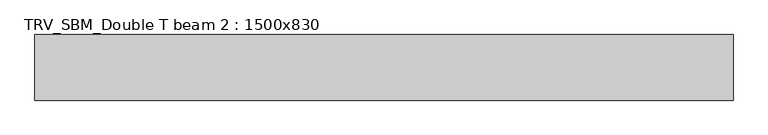
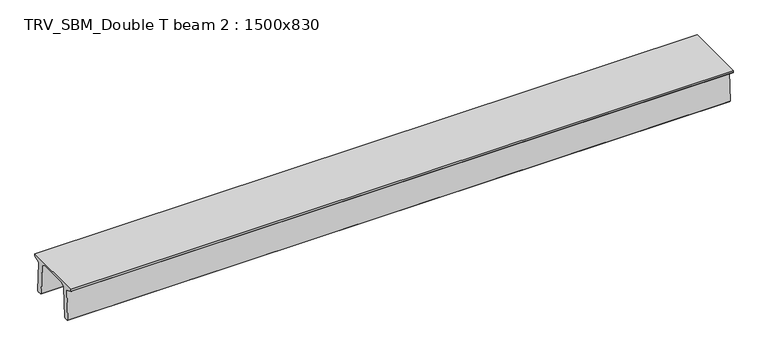
"""IFC4 building model written with IfcOpenShell, lengths in millimetres: beam geometry, TRV_SBM_Double T beam 2 : 1500x830."""

import ifcopenshell
import ifcopenshell.guid

model = None  # the IFC model being written
_history = None  # IfcOwnerHistory: only IFC2X3 demands one
_inside = {}  # id of a spatial element -> (the spatial element, [elements in it])
_under = {}  # id of a project, library or spatial element -> (it, [spatial elements below it])
_declared = {}  # id of a project -> (the project, [libraries it declares])
_typed = {}  # id of a type object -> (the type object, [elements of that type])
_made_of = {}  # id of a material, layer set ... -> (it, [elements and type objects made of it])


def new_model(schema):
    """Start an empty IFC model of exactly this schema.

    Asked for "IFC4X3", IfcOpenShell would pick the latest addendum, in which some entities
    have other attributes; the version numbers below select the first issue.
    IFC2X3 requires an IfcOwnerHistory on every rooted entity: one is made here for all.
    """
    global model, _history
    if schema == "IFC4X3":
        model = ifcopenshell.file(schema_version=(4, 3, 0, 0))
    else:
        model = ifcopenshell.file(schema=schema)
    _inside.clear()
    _under.clear()
    _declared.clear()
    _typed.clear()
    _made_of.clear()
    _history = None
    if model.schema == "IFC2X3":
        org = make("IfcOrganization", Name="unknown")
        user = make(
            "IfcPersonAndOrganization",
            ThePerson=make("IfcPerson", FamilyName="unknown"),
            TheOrganization=org,
        )
        app = make(
            "IfcApplication",
            ApplicationDeveloper=org,
            Version="unknown",
            ApplicationFullName="unknown",
            ApplicationIdentifier="unknown",
        )
        _history = make(
            "IfcOwnerHistory",
            OwningUser=user,
            OwningApplication=app,
            ChangeAction="ADDED",
            CreationDate=0,
        )
    return model


def make(cls, **values):
    """One entity of the class cls with the attributes given. An attribute that is None is left unset."""
    return model.create_entity(
        cls, **{name: value for name, value in values.items() if value is not None}
    )


def rooted(cls, **values):
    """An entity with a GlobalId (a new one), such as an element, a storey or a relation."""
    return make(cls, GlobalId=ifcopenshell.guid.new(), OwnerHistory=_history, **values)


def si_unit(unit_type, name, prefix=None):
    """IfcSIUnit, for example si_unit("LENGTHUNIT", "METRE", prefix="MILLI")."""
    return make("IfcSIUnit", UnitType=unit_type, Prefix=prefix, Name=name)


def assignment(units):
    """IfcUnitAssignment: the units of a project."""
    return None if units is None else make("IfcUnitAssignment", Units=units)


def point(xyz):
    """IfcCartesianPoint."""
    return None if xyz is None else make("IfcCartesianPoint", Coordinates=xyz)


def direction(xyz):
    """IfcDirection."""
    return None if xyz is None else make("IfcDirection", DirectionRatios=xyz)


def frame(location, z_axis=None, x_axis=None):
    """IfcAxis2Placement3D, a coordinate frame: its origin and axes. An axis left out is left unset."""
    return make(
        "IfcAxis2Placement3D",
        Location=point(location),
        Axis=direction(z_axis),
        RefDirection=direction(x_axis),
    )


def origin():
    """The frame at (0, 0, 0) with its axes left unset."""
    return frame((0.0, 0.0, 0.0))


def place(relative_to, where):
    """IfcLocalPlacement: puts the frame where relative to a parent placement (None: the world)."""
    return make(
        "IfcLocalPlacement", PlacementRelTo=relative_to, RelativePlacement=where
    )


def context(
    kind, dimensions, precision=None, world=None, true_north=None, identifier=None
):
    """IfcGeometricRepresentationContext, for example the 3D "Model" context."""
    return make(
        "IfcGeometricRepresentationContext",
        ContextIdentifier=identifier,
        ContextType=kind,
        CoordinateSpaceDimension=dimensions,
        Precision=precision,
        WorldCoordinateSystem=world,
        TrueNorth=true_north,
    )


def project(units=None, contexts=None):
    """IfcProject with its units and contexts."""
    return rooted(
        "IfcProject",
        Name="project",
        RepresentationContexts=contexts,
        UnitsInContext=assignment(units),
    )


def spatial(cls, under=None, at=None, **own):
    """A site, building, storey or space (cls), placed at a placement, below another one or the project."""
    s = rooted(cls, ObjectPlacement=at, **own)
    if under is not None:
        _under.setdefault(under.id(), (under, []))[1].append(s)
    return s


def polyline(points):
    """IfcPolyline through the points."""
    return make("IfcPolyline", Points=[point(p) for p in points])


def outline(outer, holes=None, kind="AREA"):
    """IfcArbitraryClosedProfileDef: a profile drawn as a closed curve; with holes, ...WithVoids."""
    if holes is None:
        return make("IfcArbitraryClosedProfileDef", ProfileType=kind, OuterCurve=outer)
    return make(
        "IfcArbitraryProfileDefWithVoids",
        ProfileType=kind,
        OuterCurve=outer,
        InnerCurves=holes,
    )


def extrude(swept, where, along, depth):
    """IfcExtrudedAreaSolid: the profile swept, set in the frame where, extruded along a direction by depth."""
    return make(
        "IfcExtrudedAreaSolid",
        SweptArea=swept,
        Position=where,
        ExtrudedDirection=direction(along),
        Depth=depth,
    )


def shape(context_of_items, identifier, shape_type, items):
    """IfcShapeRepresentation: the items that make up one representation, for example the "Body"."""
    return make(
        "IfcShapeRepresentation",
        ContextOfItems=context_of_items,
        RepresentationIdentifier=identifier,
        RepresentationType=shape_type,
        Items=items,
    )


def source(mapping_origin, context_of_items, identifier, shape_type, items):
    """IfcRepresentationMap: a shape defined once, which mapped items show again and again."""
    return make(
        "IfcRepresentationMap",
        MappingOrigin=mapping_origin,
        MappedRepresentation=shape(context_of_items, identifier, shape_type, items),
    )


def transform(
    local_origin,
    x_axis=None,
    y_axis=None,
    z_axis=None,
    scale=None,
    scale2=None,
    scale3=None,
    uniform=True,
):
    """IfcCartesianTransformationOperator3D, or its non-uniform kind. x_axis, y_axis, z_axis: its Axis1, 2, 3."""
    if uniform:
        return make(
            "IfcCartesianTransformationOperator3D",
            Axis1=direction(x_axis),
            Axis2=direction(y_axis),
            LocalOrigin=point(local_origin),
            Scale=scale,
            Axis3=direction(z_axis),
        )
    return make(
        "IfcCartesianTransformationOperator3DnonUniform",
        Axis1=direction(x_axis),
        Axis2=direction(y_axis),
        LocalOrigin=point(local_origin),
        Scale=scale,
        Axis3=direction(z_axis),
        Scale2=scale2,
        Scale3=scale3,
    )


def mapped(mapping_source, mapping_target):
    """IfcMappedItem: shows the shape of a source again, moved by a transform."""
    return make(
        "IfcMappedItem", MappingSource=mapping_source, MappingTarget=mapping_target
    )


def made_of(thing, what):
    """Note that an element or type object is made of a material, layer set ...; save() writes the relation."""
    if what is not None:
        _made_of.setdefault(what.id(), (what, []))[1].append(thing)
    return thing


def element(
    cls,
    number,
    at=None,
    inside=None,
    cuts=None,
    type_object=None,
    material=None,
    context=None,
    identifier="Body",
    shape_type=None,
    held_by="IfcProductDefinitionShape",
    body=None,
    shapes=None,
    **own,
):
    """One element of the class cls, such as IfcWall. Its Tag is "e" and its number.

    at: its placement. inside: the storey or other place that contains it. cuts: it is an
    opening in that element (IfcRelVoidsElement). A single representation is given by context,
    identifier, shape_type and body (its items); several are given by shapes. held_by: the class
    of the entity that holds the representations. save() writes the other relations.
    """
    e = rooted(cls, Tag="e%d" % number, ObjectPlacement=at, **own)
    if body is not None:
        shapes = [shape(context, identifier, shape_type, body)]
    if shapes is not None:
        e.Representation = make(held_by, Representations=shapes)
    if inside is not None:
        _inside.setdefault(inside.id(), (inside, []))[1].append(e)
    if cuts is not None:
        rooted(
            "IfcRelVoidsElement", RelatingBuildingElement=cuts, RelatedOpeningElement=e
        )
    if type_object is not None:
        _typed.setdefault(type_object.id(), (type_object, []))[1].append(e)
    return made_of(e, material)


def aggregate(whole, parts):
    """IfcRelAggregates: a whole, such as a stair, and the parts it consists of."""
    return rooted("IfcRelAggregates", RelatingObject=whole, RelatedObjects=parts)


def save(model, path):
    """Write the relations noted so far, then the file.

    IfcRelAggregates (storeys below a building ...), IfcRelContainedInSpatialStructure (elements
    in a storey), IfcRelDefinesByType, IfcRelAssociatesMaterial and IfcRelDeclares: one each for
    every whole, place, type object, material and project.
    """
    for whole, parts in _under.values():
        aggregate(whole, parts)
    for where, things in _inside.values():
        rooted(
            "IfcRelContainedInSpatialStructure",
            RelatedElements=things,
            RelatingStructure=where,
        )
    for kind, things in _typed.values():
        rooted("IfcRelDefinesByType", RelatedObjects=things, RelatingType=kind)
    for what, things in _made_of.values():
        rooted("IfcRelAssociatesMaterial", RelatedObjects=things, RelatingMaterial=what)
    for by, libraries in _declared.values():
        rooted("IfcRelDeclares", RelatingContext=by, RelatedDefinitions=libraries)
    model.write(path)


def trv_sbm_double_t_beam_2_1500x830_5ca3fc9d(model_context):
    return source(origin(), model_context, "Body", "SweptSolid", [
        extrude(outline(polyline([(337.4555014, 470.0), (-343.4555014, 470.0), (-456.5828437, 409.8491251), (-494.786332, -340.5206011), (-514.2657308, -360.0), (-604.2657308, -360.0), (-624.8277662, -339.4379646), (-586.9373878, 401.9654693), (-752.8511046, 468.9989621), (-753.0, 475.0), (-753.0, 520.0), (747.0, 520.0), (747.0, 475.0), (746.8511046, 468.9989621), (580.9373878, 401.9654693), (618.8277662, -339.4379646), (598.2657308, -360.0), (508.2657308, -360.0), (488.786332, -340.5206011), (450.5828437, 409.8491251), (337.4555014, 470.0)])), frame((-7973.5, 0.0, 0.0), z_axis=(1.0, 0.0, 0.0), x_axis=(0.0, 1.0, 0.0)), (0.0, 0.0, 1.0), 15947.0),
    ])


if __name__ == "__main__":
    model = new_model("IFC4")
    model_context = context("Model", 3, world=origin())
    ifc_project = project(units=[si_unit("LENGTHUNIT", "METRE", prefix="MILLI")], contexts=[model_context])
    site = spatial("IfcSite", under=ifc_project)
    building = spatial("IfcBuilding", under=site)
    placement = place(None, origin())
    trv_sbm_double_t_beam_2_1500x830_shape = trv_sbm_double_t_beam_2_1500x830_5ca3fc9d(model_context)
    element("IfcBeam", 1, ObjectType="TRV_SBM_Double T beam 2 : 1500x830", at=placement, inside=building, context=model_context, shape_type="MappedRepresentation", body=[
        mapped(trv_sbm_double_t_beam_2_1500x830_shape, transform((0.0, 0.0, 0.0), x_axis=(1.0, 0.0, 0.0), y_axis=(0.0, 1.0, 0.0), z_axis=(0.0, 0.0, 1.0))),
    ])
    save(model, "model.ifc")
